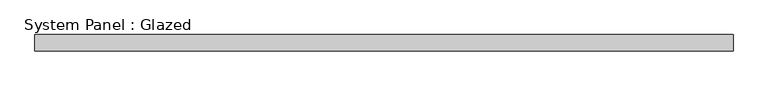
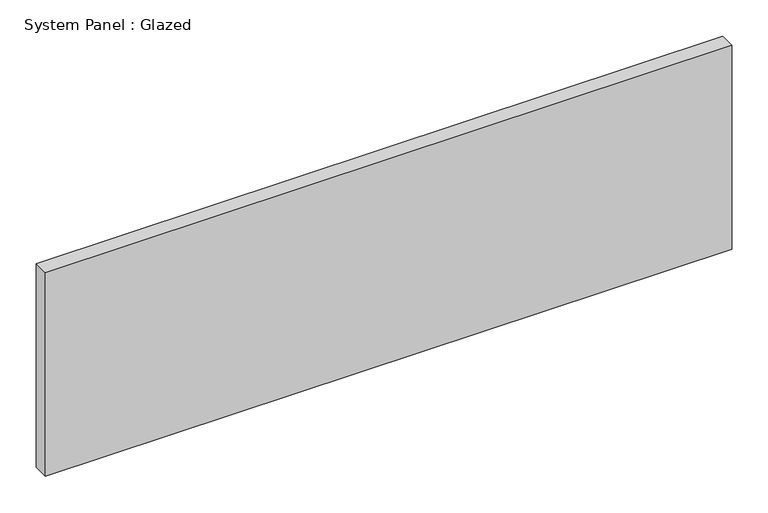
"""IFC4 building model written with IfcOpenShell, lengths in millimetres: plate geometry, System Panel : Glazed."""

from ifc_helpers import new_model, si_unit, origin, origin_with_axes, place, context, project, spatial, polyline, outline, extrude, source, transform, mapped, element, save


def system_panel_glazed_74b808c2(model_context):
    return source(origin(), model_context, "Body", "SweptSolid", [
        extrude(outline(polyline([(546.1, -44.45), (-546.1, -44.45), (-546.1, -19.05), (546.1, -19.05), (546.1, -44.45)])), origin_with_axes(), (0.0, 0.0, 1.0), 342.9),
    ])


if __name__ == "__main__":
    model = new_model("IFC4")
    model_context = context("Model", 3, world=origin())
    ifc_project = project(units=[si_unit("LENGTHUNIT", "METRE", prefix="MILLI")], contexts=[model_context])
    site = spatial("IfcSite", under=ifc_project)
    building = spatial("IfcBuilding", under=site)
    placement = place(None, origin())
    system_panel_glazed_shape = system_panel_glazed_74b808c2(model_context)
    element("IfcPlate", 1, ObjectType="System Panel : Glazed", at=placement, inside=building, context=model_context, shape_type="MappedRepresentation", body=[
        mapped(system_panel_glazed_shape, transform((0.0, 0.0, 0.0), x_axis=(1.0, 0.0, 0.0), y_axis=(0.0, 1.0, 0.0), z_axis=(0.0, 0.0, 1.0))),
    ])
    save(model, "model.ifc")
